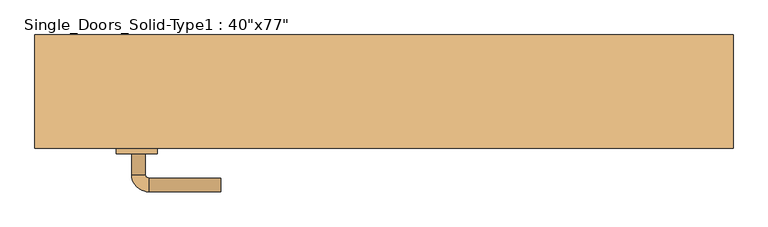
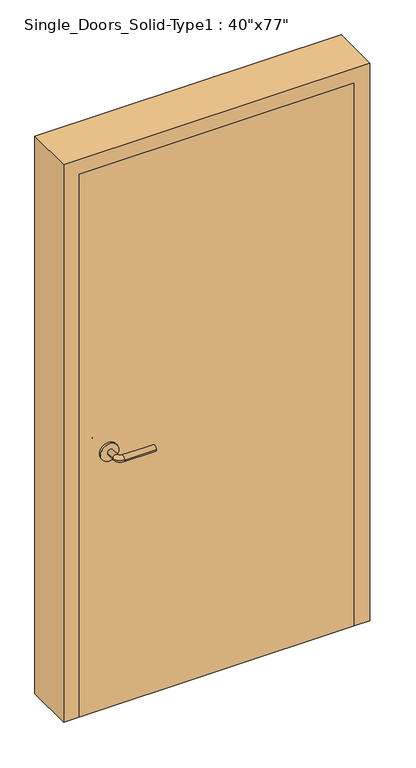
"""IFC4 building model written with IfcOpenShell, lengths in millimetres: door geometry."""

from ifc_helpers import new_model, si_unit, point, frame, frame_2d, origin, origin_with_axes, place, context, project, spatial, polyline, circle_curve, ellipse_curve, trimmed, segment, composite_curve, outline, extrude, faceted_brep, source, transform, mapped, element, save
from ifc_brep_helpers import plane_surface, cylinder_surface, revolved_surface, advanced_brep


def door_99bdc004(model_context):
    return source(origin(), model_context, "Body", "SolidModel", [
        advanced_brep(
        [(-367.2, -36.45, 900.0), (-347.2, -36.45, 900.0), (-367.2, -6.45, 900.0), (-347.2, -6.45, 900.0), (-342.2, -1.45, 900.0), (-342.2, 18.55, 900.0), (-237.2, 18.55, 900.0), (-237.2, -1.45, 900.0)],
        [
            (0, 1, circle_curve(frame((-357.2, -36.45, 900.0), z_axis=(0.0, -1.0, 0.0), x_axis=(1.0, 0.0, 0.0)), 10.0)),
            (1, 0, circle_curve(frame((-357.2, -36.45, 900.0), z_axis=(0.0, -1.0, 0.0), x_axis=(1.0, 0.0, 0.0)), 10.0)),
            (0, 2),
            (2, 3, circle_curve(frame((-357.2, -6.45, 900.0), z_axis=(0.0, -1.0, 0.0), x_axis=(1.0, 0.0, 0.0)), 10.0)),
            (3, 1),
            (3, 2, circle_curve(frame((-357.2, -6.45, 900.0), z_axis=(0.0, -1.0, 0.0), x_axis=(1.0, 0.0, 0.0)), 10.0)),
            (4, 3, circle_curve(frame((-342.2, -6.45, 900.0), z_axis=(0.0, 0.0, 1.0), x_axis=(-1.0, 0.0, 0.0)), 5.0)),
            (2, 5, circle_curve(frame((-342.2, -6.45, 900.0), z_axis=(0.0, 0.0, -1.0), x_axis=(-1.0, 0.0, 0.0)), 25.0)),
            (5, 4, circle_curve(frame((-342.2, 8.55, 900.0), z_axis=(-1.0, 0.0, 0.0), x_axis=(0.0, -1.0, 0.0)), 10.0)),
            (4, 5, circle_curve(frame((-342.2, 8.55, 900.0), z_axis=(-1.0, 0.0, 0.0), x_axis=(0.0, -1.0, 0.0)), 10.0)),
            (6, 7, circle_curve(frame((-237.2, 8.55, 900.0), z_axis=(1.0, 0.0, 0.0), x_axis=(0.0, -1.0, 0.0)), 10.0)),
            (7, 6, circle_curve(frame((-237.2, 8.55, 900.0), z_axis=(1.0, 0.0, 0.0), x_axis=(0.0, -1.0, 0.0)), 10.0)),
            (5, 6),
            (7, 4),
        ],
        [
            plane_surface(frame((-357.2, -36.45, 900.0), z_axis=(0.0, -1.0, 0.0), x_axis=(0.0, 0.0, 1.0))),
            cylinder_surface(frame((-357.2, -36.45, 900.0), z_axis=(0.0, -1.0, 0.0), x_axis=(1.0, 0.0, 0.0)), 10.0),
            revolved_surface(trimmed(ellipse_curve(frame((-357.2, -6.45, 900.0), z_axis=(0.0, -1.0, 0.0), x_axis=(1.0, 0.0, 0.0)), 10.0, 10.0), [point((-367.2, -6.45, 900.0))], [point((-347.2, -6.45, 900.0))], True, "CARTESIAN"), (-342.2, -6.45, 900.0), (0.0, 0.0, -1.0)),
            revolved_surface(trimmed(ellipse_curve(frame((-357.2, -6.45, 900.0), z_axis=(0.0, -1.0, 0.0), x_axis=(1.0, 0.0, 0.0)), 10.0, 10.0), [point((-347.2, -6.45, 900.0))], [point((-367.2, -6.45, 900.0))], True, "CARTESIAN"), (-342.2, -6.45, 900.0), (0.0, 0.0, -1.0)),
            plane_surface(frame((-237.2, 8.55, 900.0), z_axis=(1.0, 0.0, 0.0), x_axis=(0.0, 0.0, 1.0))),
            cylinder_surface(frame((-342.2, 8.55, 900.0), z_axis=(-1.0, 0.0, 0.0), x_axis=(0.0, -1.0, 0.0)), 10.0),
        ],
        [
            (0, [[1, 2]]),
            (1, [[-1, 3, 4, 5]]),
            (1, [[-2, -5, 6, -3]]),
            (2, [[7, -4, 8, 9]]),
            (3, [[-8, -6, -7, 10]]),
            (4, [[11, 12]]),
            (5, [[-9, 13, -12, 14]]),
            (5, [[-10, -14, -11, -13]]),
        ],
    ),
        extrude(outline(composite_curve([segment(trimmed(circle_curve(frame_2d((900.0, -359.7)), 30.0), [point((900.0, -389.7))], [point((900.0, -329.7))], False, "CARTESIAN"), True, "CONTINUOUS"), segment(trimmed(circle_curve(frame_2d((900.0, -359.7)), 30.0), [point((900.0, -329.7))], [point((900.0, -389.7))], False, "CARTESIAN"), True, "CONTINUOUS")], self_intersect=False)), frame((0.0, -44.45, 0.0), z_axis=(0.0, 1.0, 0.0), x_axis=(0.0, 0.0, 1.0)), (0.0, 0.0, 1.0), 8.0),
        advanced_brep(
        [(-367.2, -90.55, 900.0), (-347.2, -90.55, 900.0), (-347.2, -120.55, 900.0), (-367.2, -120.55, 900.0), (-342.2, -125.55, 900.0), (-342.2, -145.55, 900.0), (-237.2, -145.55, 900.0), (-237.2, -125.55, 900.0)],
        [
            (0, 1, circle_curve(frame((-357.2, -90.55, 900.0), z_axis=(0.0, 1.0, 0.0), x_axis=(1.0, 0.0, 0.0)), 10.0)),
            (1, 0, circle_curve(frame((-357.2, -90.55, 900.0), z_axis=(0.0, 1.0, 0.0), x_axis=(1.0, 0.0, 0.0)), 10.0)),
            (1, 2),
            (2, 3, circle_curve(frame((-357.2, -120.55, 900.0), z_axis=(0.0, 1.0, 0.0), x_axis=(1.0, 0.0, 0.0)), 10.0)),
            (3, 0),
            (3, 2, circle_curve(frame((-357.2, -120.55, 900.0), z_axis=(0.0, 1.0, 0.0), x_axis=(1.0, 0.0, 0.0)), 10.0)),
            (4, 5, circle_curve(frame((-342.2, -135.55, 900.0), z_axis=(-1.0, 0.0, 0.0), x_axis=(0.0, 1.0, 0.0)), 10.0)),
            (5, 3, circle_curve(frame((-342.2, -120.55, 900.0), z_axis=(0.0, 0.0, -1.0), x_axis=(-1.0, 0.0, 0.0)), 25.0)),
            (2, 4, circle_curve(frame((-342.2, -120.55, 900.0), z_axis=(0.0, 0.0, 1.0), x_axis=(-1.0, 0.0, 0.0)), 5.0)),
            (5, 4, circle_curve(frame((-342.2, -135.55, 900.0), z_axis=(-1.0, 0.0, 0.0), x_axis=(0.0, 1.0, 0.0)), 10.0)),
            (6, 7, circle_curve(frame((-237.2, -135.55, 900.0), z_axis=(1.0, 0.0, 0.0), x_axis=(0.0, 1.0, 0.0)), 10.0)),
            (7, 6, circle_curve(frame((-237.2, -135.55, 900.0), z_axis=(1.0, 0.0, 0.0), x_axis=(0.0, 1.0, 0.0)), 10.0)),
            (4, 7),
            (6, 5),
        ],
        [
            plane_surface(frame((-357.2, -90.55, 900.0), z_axis=(0.0, 1.0, 0.0), x_axis=(0.0, 0.0, 1.0))),
            cylinder_surface(frame((-357.2, -90.55, 900.0), z_axis=(0.0, 1.0, 0.0), x_axis=(1.0, 0.0, 0.0)), 10.0),
            revolved_surface(trimmed(ellipse_curve(frame((-357.2, -120.55, 900.0), z_axis=(0.0, -1.0, 0.0), x_axis=(1.0, 0.0, 0.0)), 10.0, 10.0), [point((-367.2, -120.55, 900.0))], [point((-347.2, -120.55, 900.0))], True, "CARTESIAN"), (-342.2, -120.55, 900.0), (0.0, 0.0, -1.0)),
            revolved_surface(trimmed(ellipse_curve(frame((-357.2, -120.55, 900.0), z_axis=(0.0, -1.0, 0.0), x_axis=(1.0, 0.0, 0.0)), 10.0, 10.0), [point((-347.2, -120.55, 900.0))], [point((-367.2, -120.55, 900.0))], True, "CARTESIAN"), (-342.2, -120.55, 900.0), (0.0, 0.0, -1.0)),
            plane_surface(frame((-237.2, -135.55, 900.0), z_axis=(1.0, 0.0, 0.0), x_axis=(0.0, 0.0, 1.0))),
            cylinder_surface(frame((-342.2, -135.55, 900.0), z_axis=(-1.0, 0.0, 0.0), x_axis=(0.0, 1.0, 0.0)), 10.0),
        ],
        [
            (0, [[1, 2]]),
            (1, [[3, 4, 5, -2]]),
            (1, [[-5, 6, -3, -1]]),
            (2, [[7, 8, -4, 9]]),
            (3, [[10, -9, -6, -8]]),
            (4, [[11, 12]]),
            (5, [[13, -11, 14, -7]]),
            (5, [[-14, -12, -13, -10]]),
        ],
    ),
        extrude(outline(composite_curve([segment(trimmed(circle_curve(frame_2d((900.0, -359.7)), 30.0), [point((900.0, -389.7))], [point((900.0, -329.7))], False, "CARTESIAN"), True, "CONTINUOUS"), segment(trimmed(circle_curve(frame_2d((900.0, -359.7)), 30.0), [point((900.0, -329.7))], [point((900.0, -389.7))], False, "CARTESIAN"), True, "CONTINUOUS")], self_intersect=False)), frame((0.0, -90.55, 0.0), z_axis=(0.0, 1.0, 0.0), x_axis=(0.0, 0.0, 1.0)), (0.0, 0.0, 1.0), 8.0),
        faceted_brep([(-508.0, 82.55, 0.0), (-457.2, 82.55, 0.0), (-457.2, 57.15, 0.0), (-444.5, 57.15, 0.0), (-444.5, -44.45, 0.0), (-457.2, -44.45, 0.0), (-457.2, -82.55, 0.0), (-508.0, -82.55, 0.0), (-508.0, -82.55, 1955.8), (-508.0, 82.55, 1955.8), (-457.2, -82.55, 1905.0), (457.2, -82.55, 1905.0), (457.2, -82.55, 0.0), (508.0, -82.55, 0.0), (508.0, -82.55, 1955.8), (-457.2, -44.45, 1905.0), (-444.5, -44.45, 1892.3), (444.5, -44.45, 1892.3), (444.5, -44.45, 0.0), (457.2, -44.45, 0.0), (457.2, -44.45, 1905.0), (-444.5, 57.15, 1892.3), (-457.2, 57.15, 1905.0), (457.2, 57.15, 1905.0), (457.2, 57.15, 0.0), (444.5, 57.15, 0.0), (444.5, 57.15, 1892.3), (-457.2, 82.55, 1905.0), (508.0, 82.55, 1955.8), (508.0, 82.55, 0.0), (457.2, 82.55, 0.0), (457.2, 82.55, 1905.0)], [[[0, 1, 2, 3, 4, 5, 6, 7]], [[7, 8, 9, 0]], [[6, 10, 11, 12, 13, 14, 8, 7]], [[5, 15, 10, 6]], [[4, 16, 17, 18, 19, 20, 15, 5]], [[3, 21, 16, 4]], [[2, 22, 23, 24, 25, 26, 21, 3]], [[1, 27, 22, 2]], [[0, 9, 28, 29, 30, 31, 27, 1]], [[14, 13, 29, 28]], [[29, 13, 12, 19, 18, 25, 24, 30]], [[20, 19, 12, 11]], [[26, 25, 18, 17]], [[31, 30, 24, 23]], [[8, 14, 28, 9]], [[15, 20, 11, 10]], [[21, 26, 17, 16]], [[27, 31, 23, 22]]]),
        extrude(outline(polyline([(457.2, -44.45), (457.2, -82.55), (-457.2, -82.55), (-457.2, -44.45), (457.2, -44.45)])), origin_with_axes(), (0.0, 0.0, 1.0), 1905.0),
    ])


if __name__ == "__main__":
    model = new_model("IFC4")
    model_context = context("Model", 3, world=origin())
    ifc_project = project(units=[si_unit("LENGTHUNIT", "METRE", prefix="MILLI")], contexts=[model_context])
    site = spatial("IfcSite", under=ifc_project)
    building = spatial("IfcBuilding", under=site)
    placement = place(None, origin())
    door_shape = door_99bdc004(model_context)
    element("IfcDoor", 1, ObjectType="Single_Doors_Solid-Type1 : 40\"x77\"", at=placement, inside=building, context=model_context, shape_type="MappedRepresentation", body=[
        mapped(door_shape, transform((0.0, 0.0, 0.0), x_axis=(1.0, 0.0, 0.0), y_axis=(0.0, 1.0, 0.0), z_axis=(0.0, 0.0, 1.0))),
    ])
    save(model, "model.ifc")
